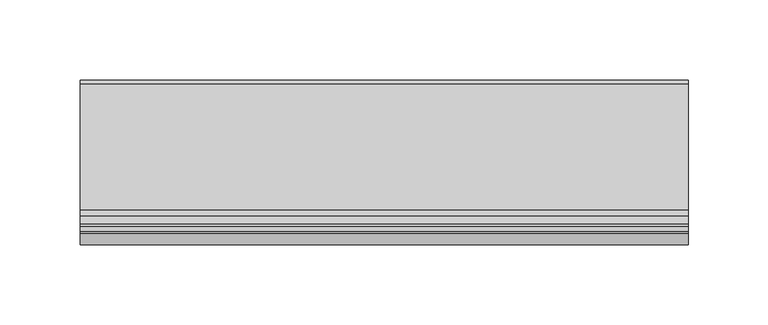
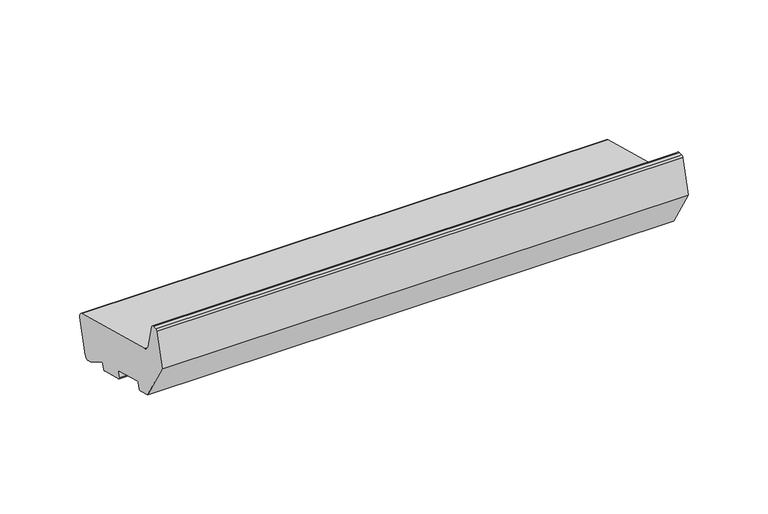
"""IFC4 building model written with IfcOpenShell, lengths in millimetres: proxy geometry."""

from ifc_helpers import new_model, si_unit, point, frame, frame_2d, origin, place, context, project, spatial, polyline, circle_curve, trimmed, segment, composite_curve, outline, extrude, source, transform, mapped, element, save


def generic_models_30fe32d1(model_context):
    return source(origin(), model_context, "Body", "SweptSolid", [
        extrude(outline(composite_curve([segment(polyline([(-46.1626434, 57.797826), (32.5949866, 36.6947826)]), True, "CONTINUOUS"), segment(trimmed(circle_curve(frame_2d((31.8185295, 33.7970051)), 3.0), [point((32.5949866, 36.6947826))], [point((34.716307, 33.020548))], False, "CARTESIAN"), True, "CONTINUOUS"), segment(polyline([(34.716307, 33.020548), (27.9870118, 7.9064765)]), True, "CONTINUOUS"), segment(trimmed(circle_curve(frame_2d((25.0892343, 8.6829337)), 3.0), [point((27.9870118, 7.9064765))], [point((24.3127772, 5.7851562))], False, "CARTESIAN"), True, "CONTINUOUS"), segment(polyline([(24.3127772, 5.7851562), (21.4149997, 6.5616133), (7.4292308, 15.095059)]), True, "CONTINUOUS"), segment(trimmed(circle_curve(frame_2d((6.908377, 14.2414131)), 1.0), [point((7.4292308, 15.095059))], [point((5.9424512, 14.5002322))], True, "CARTESIAN"), True, "CONTINUOUS"), segment(polyline([(5.9424512, 14.5002322), (4.9942607, 10.9615371)]), True, "CONTINUOUS"), segment(trimmed(circle_curve(frame_2d((4.0283348, 11.2203561)), 1.0), [point((4.9942607, 10.9615371))], [point((3.7695158, 10.2544303))], False, "CARTESIAN"), True, "CONTINUOUS"), segment(polyline([(3.7695158, 10.2544303), (-13.6171491, 14.9131731)]), True, "CONTINUOUS"), segment(trimmed(circle_curve(frame_2d((-13.35833, 15.8790989)), 1.0), [point((-13.6171491, 14.9131731))], [point((-14.3242559, 16.137918))], False, "CARTESIAN"), True, "CONTINUOUS"), segment(polyline([(-14.3242559, 16.137918), (-13.2889797, 20.0016213)]), True, "CONTINUOUS"), segment(trimmed(circle_curve(frame_2d((-14.2549055, 20.2604403)), 1.0), [point((-13.2889797, 20.0016213))], [point((-13.9960865, 21.2263662))], True, "CARTESIAN"), True, "CONTINUOUS"), segment(polyline([(-13.9960865, 21.2263662), (-37.1783063, 27.4380232)]), True, "CONTINUOUS"), segment(trimmed(circle_curve(frame_2d((-37.4371253, 26.4720974)), 1.0), [point((-37.1783063, 27.4380232))], [point((-38.4030512, 26.7309165))], True, "CARTESIAN"), True, "CONTINUOUS"), segment(polyline([(-38.4030512, 26.7309165), (-39.4383273, 22.8672132)]), True, "CONTINUOUS"), segment(trimmed(circle_curve(frame_2d((-40.4042532, 23.1260322)), 1.0), [point((-39.4383273, 22.8672132))], [point((-40.6630722, 22.1601064))], False, "CARTESIAN"), True, "CONTINUOUS"), segment(polyline([(-40.6630722, 22.1601064), (-50.3223305, 24.7482968), (-68.0, 55.3669186), (-61.4291321, 79.8897315)]), True, "CONTINUOUS"), segment(trimmed(circle_curve(frame_2d((-59.9802434, 79.5015029)), 1.5), [point((-61.4291321, 79.8897315))], [point((-59.9802434, 81.0015029))], False, "CARTESIAN"), True, "CONTINUOUS"), segment(polyline([(-59.9802434, 81.0015029), (-56.6368689, 81.0015029)]), True, "CONTINUOUS"), segment(trimmed(circle_curve(frame_2d((-56.6368689, 79.5015029)), 1.5), [point((-56.6368689, 81.0015029))], [point((-55.1879801, 79.8897315))], False, "CARTESIAN"), True, "CONTINUOUS"), segment(polyline([(-55.1879801, 79.8897315), (-50.4052841, 62.0404667)]), True, "CONTINUOUS"), segment(trimmed(circle_curve(frame_2d((-44.6097291, 63.5933809)), 6.0), [point((-50.4052841, 62.0404667))], [point((-46.1626434, 57.797826))], True, "CARTESIAN"), True, "CONTINUOUS")], self_intersect=False)), frame((0.0, 0.0, 0.0), z_axis=(1.0, 0.0, 0.0), x_axis=(0.0, 1.0, 0.0)), (0.0, 0.0, 1.0), 380.0),
    ])


if __name__ == "__main__":
    model = new_model("IFC4")
    model_context = context("Model", 3, world=origin())
    ifc_project = project(units=[si_unit("LENGTHUNIT", "METRE", prefix="MILLI")], contexts=[model_context])
    site = spatial("IfcSite", under=ifc_project)
    building = spatial("IfcBuilding", under=site)
    placement = place(None, origin())
    generic_models_shape = generic_models_30fe32d1(model_context)
    element("IfcBuildingElementProxy", 1, Name="Generic Models", at=placement, inside=building, context=model_context, shape_type="MappedRepresentation", body=[
        mapped(generic_models_shape, transform((0.0, 0.0, 0.0), x_axis=(1.0, 0.0, 0.0), y_axis=(0.0, 1.0, 0.0), z_axis=(0.0, 0.0, 1.0))),
    ])
    save(model, "model.ifc")
